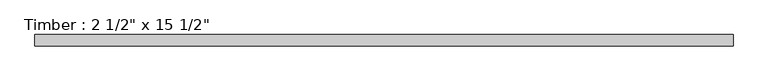
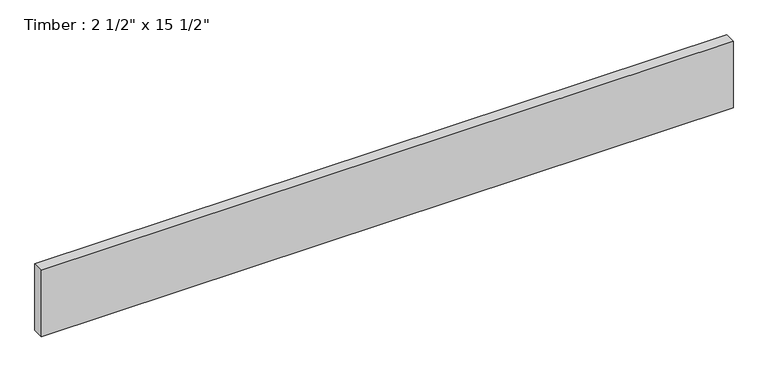
"""IFC4 building model written with IfcOpenShell, lengths in millimetres: beam geometry."""

from ifc_helpers import new_model, si_unit, frame, origin, place, context, project, spatial, polyline, outline, extrude, source, transform, mapped, element, save


def beam_9993d6d7(model_context):
    return source(origin(), model_context, "Body", "SweptSolid", [
        extrude(outline(polyline([(1944.6875, 31.75), (1944.6875, -31.75), (-1944.6875, -31.75), (-1944.6875, 31.75), (1944.6875, 31.75)])), frame((0.0, 0.0, -196.85), z_axis=(0.0, 0.0, 1.0), x_axis=(1.0, 0.0, 0.0)), (0.0, 0.0, 1.0), 393.7),
    ])


if __name__ == "__main__":
    model = new_model("IFC4")
    model_context = context("Model", 3, world=origin())
    ifc_project = project(units=[si_unit("LENGTHUNIT", "METRE", prefix="MILLI")], contexts=[model_context])
    site = spatial("IfcSite", under=ifc_project)
    building = spatial("IfcBuilding", under=site)
    placement = place(None, origin())
    beam_shape = beam_9993d6d7(model_context)
    element("IfcBeam", 1, ObjectType="Timber : 2 1/2\" x 15 1/2\"", at=placement, inside=building, context=model_context, shape_type="MappedRepresentation", body=[
        mapped(beam_shape, transform((0.0, 0.0, 0.0), x_axis=(1.0, 0.0, 0.0), y_axis=(0.0, 1.0, 0.0), z_axis=(0.0, 0.0, 1.0))),
    ])
    save(model, "model.ifc")
